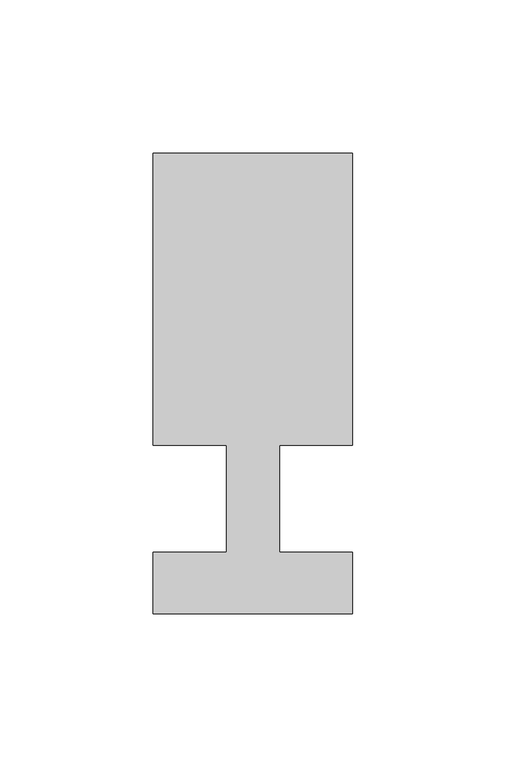
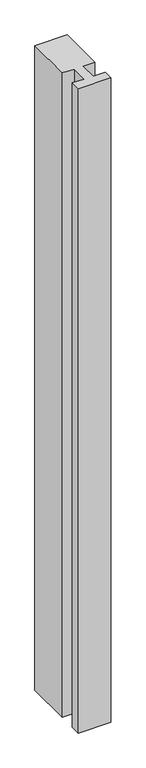
"""IFC4 building model written with IfcOpenShell, lengths in millimetres: member geometry."""

from ifc_helpers import new_model, si_unit, frame, origin, place, context, project, spatial, polyline, outline, extrude, source, transform, mapped, element, save


def member_870d2903(model_context):
    return source(origin(), model_context, "Body", "SweptSolid", [
        extrude(outline(polyline([(-32.5, -37.0), (-32.5, -17.0), (-8.6875, -17.0), (-8.6875, 18.0), (-32.5, 18.0), (-32.5, 113.0), (32.5, 113.0), (32.5, 18.0), (8.6875, 18.0), (8.6875, -17.0), (32.5, -17.0), (32.5, -37.0), (-32.5, -37.0)])), frame((0.0, 0.0, -1361.1875), z_axis=(0.0, 0.0, 1.0), x_axis=(1.0, 0.0, 0.0)), (0.0, 0.0, 1.0), 1361.1875),
    ])


if __name__ == "__main__":
    model = new_model("IFC4")
    model_context = context("Model", 3, world=origin())
    ifc_project = project(units=[si_unit("LENGTHUNIT", "METRE", prefix="MILLI")], contexts=[model_context])
    site = spatial("IfcSite", under=ifc_project)
    building = spatial("IfcBuilding", under=site)
    placement = place(None, origin())
    member_shape = member_870d2903(model_context)
    element("IfcMember", 1, at=placement, inside=building, context=model_context, shape_type="MappedRepresentation", body=[
        mapped(member_shape, transform((0.0, 0.0, 0.0), x_axis=(1.0, 0.0, 0.0), y_axis=(0.0, 1.0, 0.0), z_axis=(0.0, 0.0, 1.0))),
    ])
    save(model, "model.ifc")
